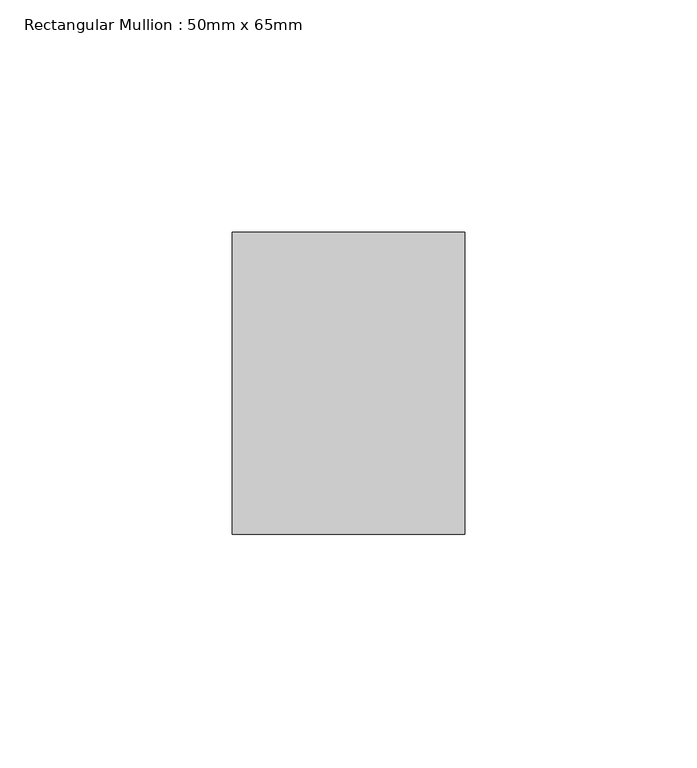
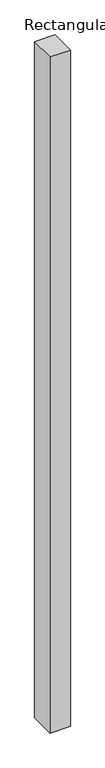
"""IFC4 building model written with IfcOpenShell, lengths in millimetres: member geometry, Rectangular Mullion : 50mm x 65mm."""

from ifc_helpers import new_model, si_unit, frame, origin, place, context, project, spatial, polyline, outline, extrude, source, transform, mapped, element, save


def rectangular_mullion_50mm_x_65mm_6ff091ba(model_context):
    return source(origin(), model_context, "Body", "SweptSolid", [
        extrude(outline(polyline([(25.0, 32.5), (25.0, -32.5), (-25.0, -32.5), (-25.0, 32.5), (25.0, 32.5)])), frame((0.0, 0.0, -1754.4950076), z_axis=(0.0, 0.0, 1.0), x_axis=(1.0, 0.0, 0.0)), (0.0, 0.0, 1.0), 1754.4950076),
    ])


if __name__ == "__main__":
    model = new_model("IFC4")
    model_context = context("Model", 3, world=origin())
    ifc_project = project(units=[si_unit("LENGTHUNIT", "METRE", prefix="MILLI")], contexts=[model_context])
    site = spatial("IfcSite", under=ifc_project)
    building = spatial("IfcBuilding", under=site)
    placement = place(None, origin())
    rectangular_mullion_50mm_x_65mm_shape = rectangular_mullion_50mm_x_65mm_6ff091ba(model_context)
    element("IfcMember", 1, ObjectType="Rectangular Mullion : 50mm x 65mm", at=placement, inside=building, context=model_context, shape_type="MappedRepresentation", body=[
        mapped(rectangular_mullion_50mm_x_65mm_shape, transform((0.0, 0.0, 0.0), x_axis=(1.0, 0.0, 0.0), y_axis=(0.0, 1.0, 0.0), z_axis=(0.0, 0.0, 1.0))),
    ])
    save(model, "model.ifc")
